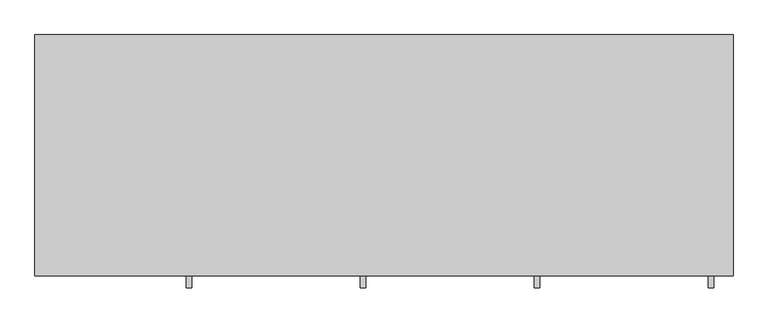
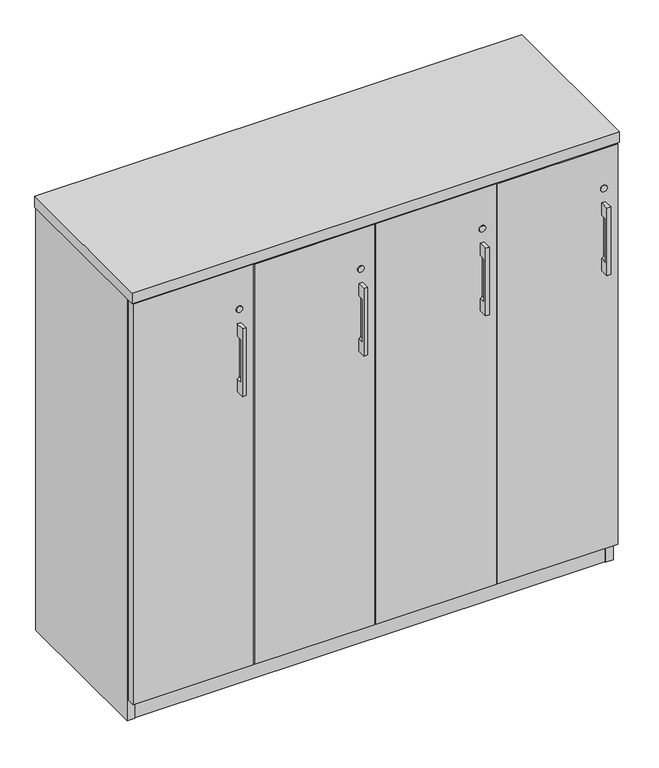
"""IFC4 building model written with IfcOpenShell, lengths in millimetres: furniture geometry."""

from ifc_helpers import new_model, si_unit, point, frame, frame_2d, origin, origin_with_axes, place, context, project, spatial, polyline, circle_curve, trimmed, segment, composite_curve, outline, extrude, source, transform, mapped, element, save
from ifc_brep_helpers import plane_surface, revolved_surface, advanced_brep


def furniture_e626744e(model_context):
    return source(origin(), model_context, "Body", "SolidModel", [
        advanced_brep(
        [(262.7312421, -447.8115021, 970.9658), (262.7312421, -447.8115021, 793.1658), (272.2562421, -447.8115021, 793.1658), (272.2562421, -447.8115021, 970.9658), (262.7312421, -425.5865021, 970.9658), (272.2562421, -425.5865021, 970.9658), (272.2562421, -425.5865021, 793.1658), (262.7312421, -425.5865021, 793.1658), (262.7312421, -425.5865021, 825.1174389), (267.4937421, -425.5865021, 831.2658), (267.4937421, -425.5865021, 932.8658), (262.7312421, -425.5865021, 939.0141611), (262.7312421, -441.523499, 939.0141611), (262.7312421, -441.523499, 825.1174389), (267.4937421, -441.523499, 932.8658), (267.4937421, -441.523499, 831.2658)],
        [
            (0, 1),
            (1, 2),
            (2, 3),
            (3, 0),
            (4, 5),
            (5, 6),
            (6, 7),
            (7, 8),
            (8, 9, circle_curve(frame((261.1437421, -425.5865021, 831.2658), z_axis=(0.0, -1.0, 0.0), x_axis=(1.0, 0.0, 0.0)), 6.35)),
            (9, 10),
            (10, 11, circle_curve(frame((261.1437421, -425.5865021, 932.8658), z_axis=(0.0, -1.0, 0.0), x_axis=(1.0, 0.0, 0.0)), 6.35)),
            (11, 4),
            (0, 4),
            (11, 12),
            (12, 13),
            (13, 8),
            (7, 1),
            (6, 2),
            (5, 3),
            (14, 15),
            (15, 13, circle_curve(frame((261.1437421, -441.523499, 831.2658), z_axis=(0.0, 1.0, 0.0), x_axis=(1.0, 0.0, 0.0)), 6.35)),
            (12, 14, circle_curve(frame((261.1437421, -441.523499, 932.8658), z_axis=(0.0, 1.0, 0.0), x_axis=(1.0, 0.0, 0.0)), 6.35)),
            (14, 10),
            (9, 15),
        ],
        [
            plane_surface(frame((262.7312421, -447.8115021, 793.1658), z_axis=(0.0, -1.0, 0.0), x_axis=(0.0, 0.0, -1.0))),
            plane_surface(frame((262.7312421, -425.5865021, 793.1658), z_axis=(0.0, 1.0, 0.0), x_axis=(0.0, 0.0, 1.0))),
            plane_surface(frame((262.7312421, -447.8115021, 970.9658), z_axis=(-1.0, 0.0, 0.0), x_axis=(0.0, 1.0, 0.0))),
            plane_surface(frame((262.7312421, -447.8115021, 793.1658), z_axis=(0.0, 0.0, -1.0), x_axis=(0.0, 1.0, 0.0))),
            plane_surface(frame((272.2562421, -447.8115021, 793.1658), z_axis=(1.0, 0.0, 0.0), x_axis=(0.0, 1.0, 0.0))),
            plane_surface(frame((272.2562421, -447.8115021, 970.9658), z_axis=(0.0, 0.0, 1.0), x_axis=(0.0, 1.0, 0.0))),
            plane_surface(frame((248.4437421, -441.523499, 939.2158), z_axis=(0.0, 1.0, 0.0), x_axis=(-1.0, 0.0, 0.0))),
            plane_surface(frame((267.4937421, -441.523499, 831.2658), z_axis=(-1.0, 0.0, 0.0), x_axis=(0.0, 1.0, 0.0))),
            revolved_surface(polyline([(267.4937421, -441.523499, 831.2658), (267.4937421, -425.5865021, 831.2658)]), (261.1437421, -425.5865021, 831.2658), (0.0, -1.0, 0.0)),
            revolved_surface(polyline([(267.4937421, -441.523499, 932.8658), (267.4937421, -425.5865021, 932.8658)]), (261.1437421, -425.5865021, 932.8658), (0.0, -1.0, 0.0)),
        ],
        [
            (0, [[1, 2, 3, 4]]),
            (1, [[5, 6, 7, 8, 9, 10, 11, 12]]),
            (2, [[-1, 13, -12, 14, 15, 16, -8, 17]]),
            (3, [[-2, -17, -7, 18]]),
            (4, [[-3, -18, -6, 19]]),
            (5, [[-4, -19, -5, -13]]),
            (6, [[20, 21, -15, 22]]),
            (7, [[-20, 23, -10, 24]]),
            (8, [[-24, -9, -16, -21]]),
            (9, [[-23, -22, -14, -11]]),
        ],
    ),
        advanced_brep(
        [(1169.9875158, -447.8115021, 970.9658), (1169.9875158, -447.8115021, 793.1658), (1179.5125158, -447.8115021, 793.1658), (1179.5125158, -447.8115021, 970.9658), (1169.9875158, -425.5865021, 970.9658), (1179.5125158, -425.5865021, 970.9658), (1179.5125158, -425.5865021, 793.1658), (1169.9875158, -425.5865021, 793.1658), (1169.9875158, -425.5865021, 825.1174389), (1174.7500158, -425.5865021, 831.2658), (1174.7500158, -425.5865021, 932.8658), (1169.9875158, -425.5865021, 939.0141611), (1169.9875158, -441.523499, 939.0141611), (1169.9875158, -441.523499, 825.1174389), (1174.7500158, -441.523499, 932.8658), (1174.7500158, -441.523499, 831.2658)],
        [
            (0, 1),
            (1, 2),
            (2, 3),
            (3, 0),
            (4, 5),
            (5, 6),
            (6, 7),
            (7, 8),
            (8, 9, circle_curve(frame((1168.4000158, -425.5865021, 831.2658), z_axis=(0.0, -1.0, 0.0), x_axis=(1.0, 0.0, 0.0)), 6.35)),
            (9, 10),
            (10, 11, circle_curve(frame((1168.4000158, -425.5865021, 932.8658), z_axis=(0.0, -1.0, 0.0), x_axis=(1.0, 0.0, 0.0)), 6.35)),
            (11, 4),
            (0, 4),
            (11, 12),
            (12, 13),
            (13, 8),
            (7, 1),
            (6, 2),
            (5, 3),
            (14, 15),
            (15, 13, circle_curve(frame((1168.4000158, -441.523499, 831.2658), z_axis=(0.0, 1.0, 0.0), x_axis=(1.0, 0.0, 0.0)), 6.35)),
            (12, 14, circle_curve(frame((1168.4000158, -441.523499, 932.8658), z_axis=(0.0, 1.0, 0.0), x_axis=(1.0, 0.0, 0.0)), 6.35)),
            (14, 10),
            (9, 15),
        ],
        [
            plane_surface(frame((1169.9875158, -447.8115021, 793.1658), z_axis=(0.0, -1.0, 0.0), x_axis=(0.0, 0.0, -1.0))),
            plane_surface(frame((1169.9875158, -425.5865021, 793.1658), z_axis=(0.0, 1.0, 0.0), x_axis=(0.0, 0.0, 1.0))),
            plane_surface(frame((1169.9875158, -447.8115021, 970.9658), z_axis=(-1.0, 0.0, 0.0), x_axis=(0.0, 1.0, 0.0))),
            plane_surface(frame((1169.9875158, -447.8115021, 793.1658), z_axis=(0.0, 0.0, -1.0), x_axis=(0.0, 1.0, 0.0))),
            plane_surface(frame((1179.5125158, -447.8115021, 793.1658), z_axis=(1.0, 0.0, 0.0), x_axis=(0.0, 1.0, 0.0))),
            plane_surface(frame((1179.5125158, -447.8115021, 970.9658), z_axis=(0.0, 0.0, 1.0), x_axis=(0.0, 1.0, 0.0))),
            plane_surface(frame((1155.7000158, -441.523499, 939.2158), z_axis=(0.0, 1.0, 0.0), x_axis=(-1.0, 0.0, 0.0))),
            plane_surface(frame((1174.7500158, -441.523499, 831.2658), z_axis=(-1.0, 0.0, 0.0), x_axis=(0.0, 1.0, 0.0))),
            revolved_surface(polyline([(1174.7500157999998, -441.523499, 831.2658), (1174.7500157999998, -425.5865021, 831.2658)]), (1168.4000158, -425.5865021, 831.2658), (0.0, -1.0, 0.0)),
            revolved_surface(polyline([(1174.7500157999998, -441.523499, 932.8658), (1174.7500157999998, -425.5865021, 932.8658)]), (1168.4000158, -425.5865021, 932.8658), (0.0, -1.0, 0.0)),
        ],
        [
            (0, [[1, 2, 3, 4]]),
            (1, [[5, 6, 7, 8, 9, 10, 11, 12]]),
            (2, [[-1, 13, -12, 14, 15, 16, -8, 17]]),
            (3, [[-2, -17, -7, 18]]),
            (4, [[-3, -18, -6, 19]]),
            (5, [[-4, -19, -5, -13]]),
            (6, [[20, 21, -15, 22]]),
            (7, [[-20, 23, -10, 24]]),
            (8, [[-24, -9, -16, -21]]),
            (9, [[-23, -22, -14, -11]]),
        ],
    ),
        advanced_brep(
        [(867.5687579, -447.8115021, 970.9658), (867.5687579, -447.8115021, 793.1658), (877.0937579, -447.8115021, 793.1658), (877.0937579, -447.8115021, 970.9658), (867.5687579, -425.5865021, 970.9658), (877.0937579, -425.5865021, 970.9658), (877.0937579, -425.5865021, 793.1658), (867.5687579, -425.5865021, 793.1658), (867.5687579, -425.5865021, 825.1174389), (872.3312579, -425.5865021, 831.2658), (872.3312579, -425.5865021, 932.8658), (867.5687579, -425.5865021, 939.0141611), (867.5687579, -441.523499, 939.0141611), (867.5687579, -441.523499, 825.1174389), (872.3312579, -441.523499, 932.8658), (872.3312579, -441.523499, 831.2658)],
        [
            (0, 1),
            (1, 2),
            (2, 3),
            (3, 0),
            (4, 5),
            (5, 6),
            (6, 7),
            (7, 8),
            (8, 9, circle_curve(frame((865.9812579, -425.5865021, 831.2658), z_axis=(0.0, -1.0, 0.0), x_axis=(1.0, 0.0, 0.0)), 6.35)),
            (9, 10),
            (10, 11, circle_curve(frame((865.9812579, -425.5865021, 932.8658), z_axis=(0.0, -1.0, 0.0), x_axis=(1.0, 0.0, 0.0)), 6.35)),
            (11, 4),
            (0, 4),
            (11, 12),
            (12, 13),
            (13, 8),
            (7, 1),
            (6, 2),
            (5, 3),
            (14, 15),
            (15, 13, circle_curve(frame((865.9812579, -441.523499, 831.2658), z_axis=(0.0, 1.0, 0.0), x_axis=(1.0, 0.0, 0.0)), 6.35)),
            (12, 14, circle_curve(frame((865.9812579, -441.523499, 932.8658), z_axis=(0.0, 1.0, 0.0), x_axis=(1.0, 0.0, 0.0)), 6.35)),
            (14, 10),
            (9, 15),
        ],
        [
            plane_surface(frame((867.5687579, -447.8115021, 793.1658), z_axis=(0.0, -1.0, 0.0), x_axis=(0.0, 0.0, -1.0))),
            plane_surface(frame((867.5687579, -425.5865021, 793.1658), z_axis=(0.0, 1.0, 0.0), x_axis=(0.0, 0.0, 1.0))),
            plane_surface(frame((867.5687579, -447.8115021, 970.9658), z_axis=(-1.0, 0.0, 0.0), x_axis=(0.0, 1.0, 0.0))),
            plane_surface(frame((867.5687579, -447.8115021, 793.1658), z_axis=(0.0, 0.0, -1.0), x_axis=(0.0, 1.0, 0.0))),
            plane_surface(frame((877.0937579, -447.8115021, 793.1658), z_axis=(1.0, 0.0, 0.0), x_axis=(0.0, 1.0, 0.0))),
            plane_surface(frame((877.0937579, -447.8115021, 970.9658), z_axis=(0.0, 0.0, 1.0), x_axis=(0.0, 1.0, 0.0))),
            plane_surface(frame((853.2812579, -441.523499, 939.2158), z_axis=(0.0, 1.0, 0.0), x_axis=(-1.0, 0.0, 0.0))),
            plane_surface(frame((872.3312579, -441.523499, 831.2658), z_axis=(-1.0, 0.0, 0.0), x_axis=(0.0, 1.0, 0.0))),
            revolved_surface(polyline([(872.3312579, -441.523499, 831.2658), (872.3312579, -425.5865021, 831.2658)]), (865.9812579, -425.5865021, 831.2658), (0.0, -1.0, 0.0)),
            revolved_surface(polyline([(872.3312579, -441.523499, 932.8658), (872.3312579, -425.5865021, 932.8658)]), (865.9812579, -425.5865021, 932.8658), (0.0, -1.0, 0.0)),
        ],
        [
            (0, [[1, 2, 3, 4]]),
            (1, [[5, 6, 7, 8, 9, 10, 11, 12]]),
            (2, [[-1, 13, -12, 14, 15, 16, -8, 17]]),
            (3, [[-2, -17, -7, 18]]),
            (4, [[-3, -18, -6, 19]]),
            (5, [[-4, -19, -5, -13]]),
            (6, [[20, 21, -15, 22]]),
            (7, [[-20, 23, -10, 24]]),
            (8, [[-24, -9, -16, -21]]),
            (9, [[-23, -22, -14, -11]]),
        ],
    ),
        advanced_brep(
        [(565.15, -447.8115021, 970.9658), (565.15, -447.8115021, 793.1658), (574.675, -447.8115021, 793.1658), (574.675, -447.8115021, 970.9658), (565.15, -425.5865021, 970.9658), (574.675, -425.5865021, 970.9658), (574.675, -425.5865021, 793.1658), (565.15, -425.5865021, 793.1658), (565.15, -425.5865021, 825.1174389), (569.9125, -425.5865021, 831.2658), (569.9125, -425.5865021, 932.8658), (565.15, -425.5865021, 939.0141611), (565.15, -441.523499, 939.0141611), (565.15, -441.523499, 825.1174389), (569.9125, -441.523499, 932.8658), (569.9125, -441.523499, 831.2658)],
        [
            (0, 1),
            (1, 2),
            (2, 3),
            (3, 0),
            (4, 5),
            (5, 6),
            (6, 7),
            (7, 8),
            (8, 9, circle_curve(frame((563.5625, -425.5865021, 831.2658), z_axis=(0.0, -1.0, 0.0), x_axis=(1.0, 0.0, 0.0)), 6.35)),
            (9, 10),
            (10, 11, circle_curve(frame((563.5625, -425.5865021, 932.8658), z_axis=(0.0, -1.0, 0.0), x_axis=(1.0, 0.0, 0.0)), 6.35)),
            (11, 4),
            (0, 4),
            (11, 12),
            (12, 13),
            (13, 8),
            (7, 1),
            (6, 2),
            (5, 3),
            (14, 15),
            (15, 13, circle_curve(frame((563.5625, -441.523499, 831.2658), z_axis=(0.0, 1.0, 0.0), x_axis=(1.0, 0.0, 0.0)), 6.35)),
            (12, 14, circle_curve(frame((563.5625, -441.523499, 932.8658), z_axis=(0.0, 1.0, 0.0), x_axis=(1.0, 0.0, 0.0)), 6.35)),
            (14, 10),
            (9, 15),
        ],
        [
            plane_surface(frame((565.15, -447.8115021, 793.1658), z_axis=(0.0, -1.0, 0.0), x_axis=(0.0, 0.0, -1.0))),
            plane_surface(frame((565.15, -425.5865021, 793.1658), z_axis=(0.0, 1.0, 0.0), x_axis=(0.0, 0.0, 1.0))),
            plane_surface(frame((565.15, -447.8115021, 970.9658), z_axis=(-1.0, 0.0, 0.0), x_axis=(0.0, 1.0, 0.0))),
            plane_surface(frame((565.15, -447.8115021, 793.1658), z_axis=(0.0, 0.0, -1.0), x_axis=(0.0, 1.0, 0.0))),
            plane_surface(frame((574.675, -447.8115021, 793.1658), z_axis=(1.0, 0.0, 0.0), x_axis=(0.0, 1.0, 0.0))),
            plane_surface(frame((574.675, -447.8115021, 970.9658), z_axis=(0.0, 0.0, 1.0), x_axis=(0.0, 1.0, 0.0))),
            plane_surface(frame((550.8625, -441.523499, 939.2158), z_axis=(0.0, 1.0, 0.0), x_axis=(-1.0, 0.0, 0.0))),
            plane_surface(frame((569.9125, -441.523499, 831.2658), z_axis=(-1.0, 0.0, 0.0), x_axis=(0.0, 1.0, 0.0))),
            revolved_surface(polyline([(569.9125, -441.523499, 831.2658), (569.9125, -425.5865021, 831.2658)]), (563.5625, -425.5865021, 831.2658), (0.0, -1.0, 0.0)),
            revolved_surface(polyline([(569.9125, -441.523499, 932.8658), (569.9125, -425.5865021, 932.8658)]), (563.5625, -425.5865021, 932.8658), (0.0, -1.0, 0.0)),
        ],
        [
            (0, [[1, 2, 3, 4]]),
            (1, [[5, 6, 7, 8, 9, 10, 11, 12]]),
            (2, [[-1, 13, -12, 14, 15, 16, -8, 17]]),
            (3, [[-2, -17, -7, 18]]),
            (4, [[-3, -18, -6, 19]]),
            (5, [[-4, -19, -5, -13]]),
            (6, [[20, 21, -15, 22]]),
            (7, [[-20, 23, -10, 24]]),
            (8, [[-24, -9, -16, -21]]),
            (9, [[-23, -22, -14, -11]]),
        ],
    ),
        extrude(outline(polyline([(1150.5192181, -345.6312472), (1166.4670759, -336.4237472), (1182.4149337, -345.6312472), (1182.4149337, -364.0462472), (1166.4670759, -373.2537472), (1150.5192181, -364.0462472), (1150.5192181, -345.6312472)])), origin_with_axes(), (0.0, 0.0, 1.0), 9.144),
        extrude(outline(polyline([(1150.5192181, -47.1181713), (1166.4670759, -37.9106713), (1182.4149337, -47.1181713), (1182.4149337, -65.5331713), (1166.4670759, -74.7406713), (1150.5192181, -65.5331713), (1150.5192181, -47.1181713)])), origin_with_axes(), (0.0, 0.0, 1.0), 9.144),
        extrude(outline(polyline([(30.4350663, -345.6312472), (46.3829241, -336.4237472), (62.3307819, -345.6312472), (62.3307819, -364.0462472), (46.3829241, -373.2537472), (30.4350663, -364.0462472), (30.4350663, -345.6312472)])), origin_with_axes(), (0.0, 0.0, 1.0), 9.144),
        extrude(outline(polyline([(30.4350663, -47.1181713), (46.3829241, -37.9106713), (62.3307819, -47.1181713), (62.3307819, -65.5331713), (46.3829241, -74.7406713), (30.4350663, -65.5331713), (30.4350663, -47.1181713)])), origin_with_axes(), (0.0, 0.0, 1.0), 9.144),
        extrude(outline(polyline([(587.1210079, -30.4938704), (606.4250079, -30.4938704), (606.4250079, -401.5835036), (587.1210079, -401.5835036), (587.1210079, -30.4938704)])), frame((0.0, 0.0, 79.57058), z_axis=(0.0, 0.0, 1.0), x_axis=(1.0, 0.0, 0.0)), (0.0, 0.0, 1.0), 1036.68322),
        extrude(outline(polyline([(889.5397579, -30.4938704), (908.8437579, -30.4938704), (908.8437579, -401.5835036), (889.5397579, -401.5835036), (889.5397579, -30.4938704)])), frame((0.0, 0.0, 79.57058), z_axis=(0.0, 0.0, 1.0), x_axis=(1.0, 0.0, 0.0)), (0.0, 0.0, 1.0), 1036.68322),
        extrude(outline(polyline([(304.0062421, -30.4938704), (304.0062421, -401.5835036), (284.7022421, -401.5835036), (284.7022421, -30.4938704), (304.0062421, -30.4938704)])), frame((0.0, 0.0, 79.57058), z_axis=(0.0, 0.0, 1.0), x_axis=(1.0, 0.0, 0.0)), (0.0, 0.0, 1.0), 1036.68322),
        extrude(outline(polyline([(1191.9585154, -11.1898712), (1191.9585154, -30.4938704), (20.8915005, -30.4938704), (20.8915005, -11.1898712), (1191.9585154, -11.1898712)])), frame((0.0, 0.0, 4.699), z_axis=(0.0, 0.0, 1.0), x_axis=(1.0, 0.0, 0.0)), (0.0, 0.0, 1.0), 1111.5548),
        extrude(outline(polyline([(20.8915005, -9.6658713), (20.8915005, -403.1075021), (1.5874842, -403.1075021), (1.5874842, -9.6658713), (20.8915005, -9.6658713)])), frame((0.0, 0.0, 4.699), z_axis=(0.0, 0.0, 1.0), x_axis=(1.0, 0.0, 0.0)), (0.0, 0.0, 1.0), 1111.5548),
        extrude(outline(polyline([(1191.9585154, -9.6658713), (1211.2625158, -9.6658713), (1211.2625158, -403.1075021), (1191.9585154, -403.1075021), (1191.9585154, -9.6658713)])), frame((0.0, 0.0, 4.699), z_axis=(0.0, 0.0, 1.0), x_axis=(1.0, 0.0, 0.0)), (0.0, 0.0, 1.0), 1111.5548),
        extrude(outline(polyline([(625.7290079, -30.4938704), (625.7290079, -401.5835036), (606.4250079, -401.5835036), (606.4250079, -30.4938704), (625.7290079, -30.4938704)])), frame((0.0, 0.0, 79.57058), z_axis=(0.0, 0.0, 1.0), x_axis=(1.0, 0.0, 0.0)), (0.0, 0.0, 1.0), 1036.68322),
        extrude(outline(polyline([(304.0062421, -30.4938704), (323.3102421, -30.4938704), (323.3102421, -401.5835036), (304.0062421, -401.5835036), (304.0062421, -30.4938704)])), frame((0.0, 0.0, 79.57058), z_axis=(0.0, 0.0, 1.0), x_axis=(1.0, 0.0, 0.0)), (0.0, 0.0, 1.0), 1036.68322),
        extrude(outline(polyline([(928.1477579, -30.4938704), (928.1477579, -401.5835036), (908.8437579, -401.5835036), (908.8437579, -30.4938704), (928.1477579, -30.4938704)])), frame((0.0, 0.0, 79.57058), z_axis=(0.0, 0.0, 1.0), x_axis=(1.0, 0.0, 0.0)), (0.0, 0.0, 1.0), 1036.68322),
        extrude(outline(polyline([(1191.9585154, -30.4938704), (1191.9585154, -402.7264934), (20.8915005, -402.7264934), (20.8915005, -30.4938704), (1191.9585154, -30.4938704)])), frame((0.0, 0.0, 1096.9498), z_axis=(0.0, 0.0, 1.0), x_axis=(1.0, 0.0, 0.0)), (0.0, 0.0, 1.0), 19.304),
        extrude(outline(polyline([(1212.85, -8.0783713), (1212.85, -427.1783713), (0.0, -427.1783713), (0.0, -8.0783713), (1212.85, -8.0783713)])), frame((0.0, 0.0, 1116.2538031), z_axis=(0.0, 0.0, 1.0), x_axis=(1.0, 0.0, 0.0)), (0.0, 0.0, 1.0), 28.5749969),
        extrude(outline(polyline([(1191.9585154, -30.4938704), (1191.9585154, -402.7264934), (20.8915005, -402.7264934), (20.8915005, -30.4938704), (1191.9585154, -30.4938704)])), frame((0.0, 0.0, 60.26658), z_axis=(0.0, 0.0, 1.0), x_axis=(1.0, 0.0, 0.0)), (0.0, 0.0, 1.0), 19.304),
        extrude(outline(polyline([(1191.9585154, -401.5835036), (20.8915005, -401.5835036), (20.8915005, -382.2795036), (1191.9585154, -382.2795036), (1191.9585154, -401.5835036)])), frame((0.0, 0.0, 4.699), z_axis=(0.0, 0.0, 1.0), x_axis=(1.0, 0.0, 0.0)), (0.0, 0.0, 1.0), 55.56758),
        extrude(outline(composite_curve([segment(trimmed(circle_curve(frame_2d((1008.3038, 267.4937421)), 8.001), [point((1008.3038, 259.4927421))], [point((1008.3038, 275.4947421))], False, "CARTESIAN"), True, "CONTINUOUS"), segment(trimmed(circle_curve(frame_2d((1008.3038, 267.4937421)), 8.001), [point((1008.3038, 275.4947421))], [point((1008.3038, 259.4927421))], False, "CARTESIAN"), True, "CONTINUOUS")], self_intersect=False)), frame((0.0, -427.1783713, 0.0), z_axis=(0.0, 1.0, 0.0), x_axis=(0.0, 0.0, 1.0)), (0.0, 0.0, 1.0), 1.5918692),
        extrude(outline(composite_curve([segment(trimmed(circle_curve(frame_2d((1008.3038, 569.9125)), 8.001), [point((1008.3038, 561.9115))], [point((1008.3038, 577.9135))], False, "CARTESIAN"), True, "CONTINUOUS"), segment(trimmed(circle_curve(frame_2d((1008.3038, 569.9125)), 8.001), [point((1008.3038, 577.9135))], [point((1008.3038, 561.9115))], False, "CARTESIAN"), True, "CONTINUOUS")], self_intersect=False)), frame((0.0, -427.1783713, 0.0), z_axis=(0.0, 1.0, 0.0), x_axis=(0.0, 0.0, 1.0)), (0.0, 0.0, 1.0), 1.5918692),
        extrude(outline(composite_curve([segment(trimmed(circle_curve(frame_2d((1008.3038, 872.3312579)), 8.001), [point((1008.3038, 864.3302579))], [point((1008.3038, 880.3322579))], False, "CARTESIAN"), True, "CONTINUOUS"), segment(trimmed(circle_curve(frame_2d((1008.3038, 872.3312579)), 8.001), [point((1008.3038, 880.3322579))], [point((1008.3038, 864.3302579))], False, "CARTESIAN"), True, "CONTINUOUS")], self_intersect=False)), frame((0.0, -427.1783713, 0.0), z_axis=(0.0, 1.0, 0.0), x_axis=(0.0, 0.0, 1.0)), (0.0, 0.0, 1.0), 1.5918692),
        extrude(outline(composite_curve([segment(trimmed(circle_curve(frame_2d((1008.3038, 1174.7500158)), 8.001), [point((1008.3038, 1166.7490158))], [point((1008.3038, 1182.7510158))], False, "CARTESIAN"), True, "CONTINUOUS"), segment(trimmed(circle_curve(frame_2d((1008.3038, 1174.7500158)), 8.001), [point((1008.3038, 1182.7510158))], [point((1008.3038, 1166.7490158))], False, "CARTESIAN"), True, "CONTINUOUS")], self_intersect=False)), frame((0.0, -427.1783713, 0.0), z_axis=(0.0, 1.0, 0.0), x_axis=(0.0, 0.0, 1.0)), (0.0, 0.0, 1.0), 1.5918692),
        extrude(outline(polyline([(302.4187421, -425.5865021), (3.175, -425.5865021), (3.175, -406.2825021), (302.4187421, -406.2825021), (302.4187421, -425.5865021)])), frame((0.0, 0.0, 60.26658), z_axis=(0.0, 0.0, 1.0), x_axis=(1.0, 0.0, 0.0)), (0.0, 0.0, 1.0), 1052.8122352),
        extrude(outline(polyline([(604.8375, -425.5865021), (305.5937421, -425.5865021), (305.5937421, -406.2825021), (604.8375, -406.2825021), (604.8375, -425.5865021)])), frame((0.0, 0.0, 60.26658), z_axis=(0.0, 0.0, 1.0), x_axis=(1.0, 0.0, 0.0)), (0.0, 0.0, 1.0), 1052.8122352),
        extrude(outline(polyline([(907.2562579, -425.5865021), (608.0125, -425.5865021), (608.0125, -406.2825021), (907.2562579, -406.2825021), (907.2562579, -425.5865021)])), frame((0.0, 0.0, 60.26658), z_axis=(0.0, 0.0, 1.0), x_axis=(1.0, 0.0, 0.0)), (0.0, 0.0, 1.0), 1052.8122352),
        extrude(outline(polyline([(1209.6750158, -425.5865021), (910.4312579, -425.5865021), (910.4312579, -406.2825021), (1209.6750158, -406.2825021), (1209.6750158, -425.5865021)])), frame((0.0, 0.0, 60.26658), z_axis=(0.0, 0.0, 1.0), x_axis=(1.0, 0.0, 0.0)), (0.0, 0.0, 1.0), 1052.8122352),
    ])


if __name__ == "__main__":
    model = new_model("IFC4")
    model_context = context("Model", 3, world=origin())
    ifc_project = project(units=[si_unit("LENGTHUNIT", "METRE", prefix="MILLI")], contexts=[model_context])
    site = spatial("IfcSite", under=ifc_project)
    building = spatial("IfcBuilding", under=site)
    placement = place(None, origin())
    furniture_shape = furniture_e626744e(model_context)
    element("IfcFurniture", 1, at=placement, inside=building, context=model_context, shape_type="MappedRepresentation", body=[
        mapped(furniture_shape, transform((0.0, 0.0, 0.0), x_axis=(1.0, 0.0, 0.0), y_axis=(0.0, 1.0, 0.0), z_axis=(0.0, 0.0, 1.0))),
    ])
    save(model, "model.ifc")
